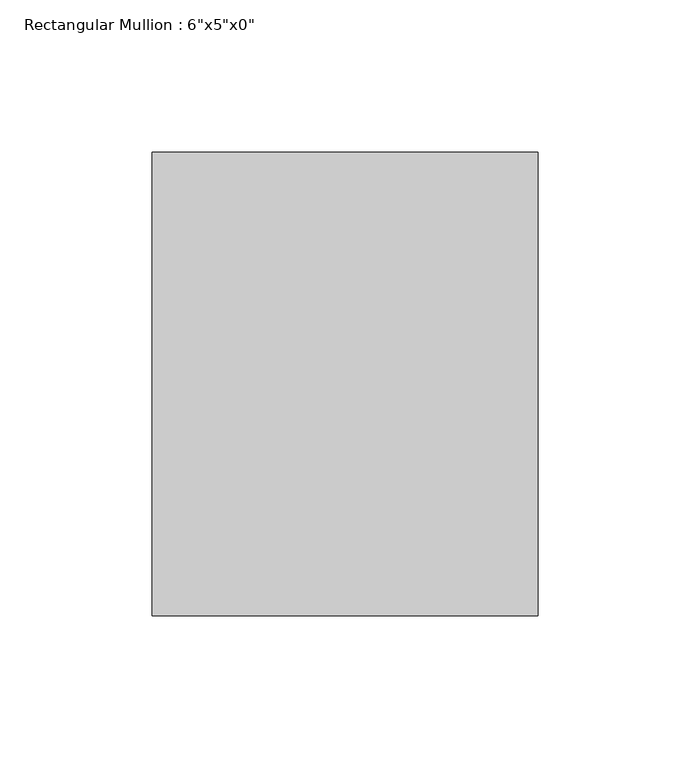
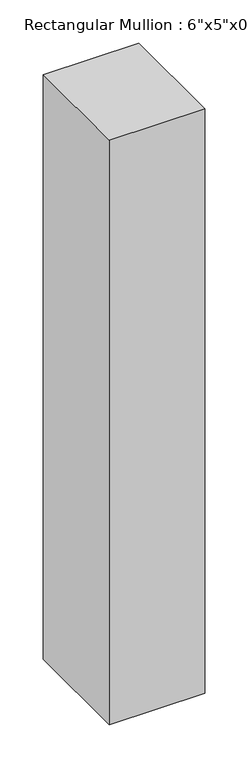
"""IFC4 building model written with IfcOpenShell, lengths in millimetres: member geometry."""

from ifc_helpers import new_model, si_unit, frame, origin, place, context, project, spatial, polyline, outline, extrude, source, transform, mapped, element, save


def member_d70d8cc9(model_context):
    return source(origin(), model_context, "Body", "SweptSolid", [
        extrude(outline(polyline([(0.0, 76.2), (0.0, -76.2), (-127.0, -76.2), (-127.0, 76.2), (0.0, 76.2)])), frame((0.0, 0.0, -823.3833333), z_axis=(0.0, 0.0, 1.0), x_axis=(1.0, 0.0, 0.0)), (0.0, 0.0, 1.0), 823.3833333),
    ])


if __name__ == "__main__":
    model = new_model("IFC4")
    model_context = context("Model", 3, world=origin())
    ifc_project = project(units=[si_unit("LENGTHUNIT", "METRE", prefix="MILLI")], contexts=[model_context])
    site = spatial("IfcSite", under=ifc_project)
    building = spatial("IfcBuilding", under=site)
    placement = place(None, origin())
    member_shape = member_d70d8cc9(model_context)
    element("IfcMember", 1, ObjectType="Rectangular Mullion : 6\"x5\"x0\"", at=placement, inside=building, context=model_context, shape_type="MappedRepresentation", body=[
        mapped(member_shape, transform((0.0, 0.0, 0.0), x_axis=(1.0, 0.0, 0.0), y_axis=(0.0, 1.0, 0.0), z_axis=(0.0, 0.0, 1.0))),
    ])
    save(model, "model.ifc")
